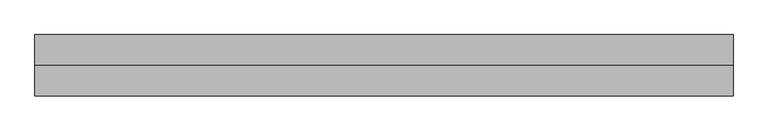
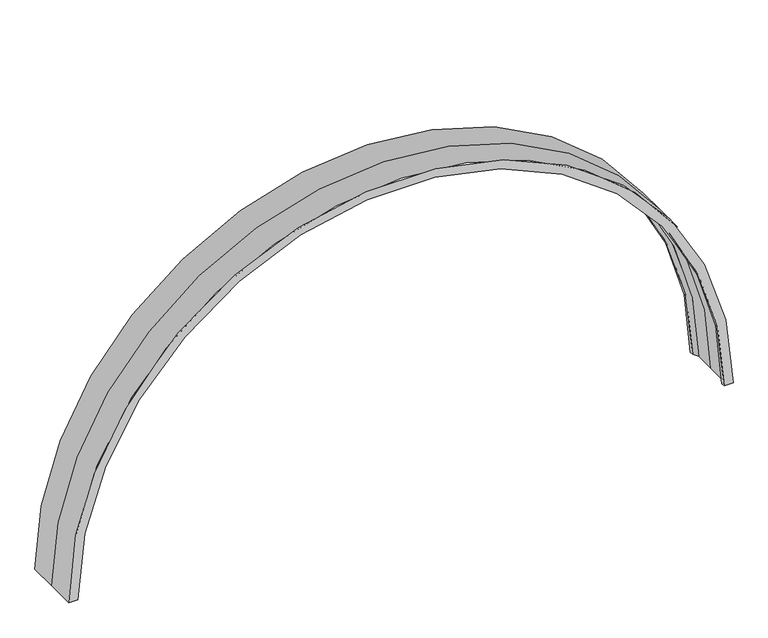
"""IFC4 building model written with IfcOpenShell, lengths in millimetres: beam geometry."""

from ifc_helpers import new_model, si_unit, frame, origin, place, context, project, spatial, polyline, circle_curve, source, transform, mapped, element, save
from ifc_brep_helpers import plane_surface, cylinder_surface, revolved_surface, advanced_brep


def beam_296ebda2(model_context):
    return source(origin(), model_context, "Body", "AdvancedBrep", [
        advanced_brep(
        [(-5545.0, -500.0, 0.0), (-5700.0, -500.0, 0.0), (-5700.0, 0.0, 0.0), (-5700.0, 499.9627944, 0.0), (-5545.0, 499.9627944, 0.0), (-5545.0, 437.4627944, 0.0), (-5600.0, 342.2, 0.0), (-5600.0, 0.0, 0.0), (-5600.0, -342.2372056, 0.0), (-5545.0, -437.5, 0.0), (5700.0, -500.0, 0.0), (5545.0, -500.0, 0.0), (5700.0, 0.0, 0.0), (5700.0, 499.9627944, 0.0), (5545.0, 499.9627944, 0.0), (5545.0, 437.4627944, 0.0), (5600.0, 342.2, 0.0), (5600.0, 0.0, 0.0), (5600.0, -342.2372056, 0.0), (5545.0, -437.5, 0.0)],
        [
            (0, 1),
            (1, 2),
            (2, 3),
            (3, 4),
            (4, 5),
            (5, 6),
            (6, 7),
            (7, 8),
            (8, 9),
            (9, 0),
            (10, 1, circle_curve(frame((0.0, -500.0, 0.0), z_axis=(0.0, -1.0, 0.0), x_axis=(-1.0, 0.0, 0.0)), 5700.0)),
            (0, 11, circle_curve(frame((0.0, -500.0, 0.0), z_axis=(0.0, 1.0, 0.0), x_axis=(-1.0, 0.0, 0.0)), 5545.0)),
            (11, 10),
            (12, 2, circle_curve(frame((0.0, 0.0, 0.0), z_axis=(0.0, -1.0, 0.0), x_axis=(-1.0, 0.0, 0.0)), 5700.0)),
            (10, 12),
            (13, 3, circle_curve(frame((0.0, 499.9627944, 0.0), z_axis=(0.0, -1.0, 0.0), x_axis=(-1.0, 0.0, 0.0)), 5700.0)),
            (12, 13),
            (14, 4, circle_curve(frame((0.0, 499.9627944, 0.0), z_axis=(0.0, -1.0, 0.0), x_axis=(-1.0, 0.0, 0.0)), 5545.0)),
            (13, 14),
            (15, 5, circle_curve(frame((0.0, 437.4627944, 0.0), z_axis=(0.0, -1.0, 0.0), x_axis=(-1.0, 0.0, 0.0)), 5545.0)),
            (14, 15),
            (16, 6, circle_curve(frame((0.0, 342.2, 0.0), z_axis=(0.0, -1.0, 0.0), x_axis=(-1.0, 0.0, 0.0)), 5600.0)),
            (15, 16),
            (17, 7, circle_curve(frame((0.0, 0.0, 0.0), z_axis=(0.0, -1.0, 0.0), x_axis=(-1.0, 0.0, 0.0)), 5600.0)),
            (16, 17),
            (18, 8, circle_curve(frame((0.0, -342.2372056, 0.0), z_axis=(0.0, -1.0, 0.0), x_axis=(-1.0, 0.0, 0.0)), 5600.0)),
            (17, 18),
            (19, 9, circle_curve(frame((0.0, -437.5, 0.0), z_axis=(0.0, -1.0, 0.0), x_axis=(-1.0, 0.0, 0.0)), 5545.0)),
            (18, 19),
            (19, 11),
        ],
        [
            plane_surface(frame((-5700.0, 0.0, 0.0), z_axis=(0.0, 0.0, -1.0), x_axis=(0.0, -1.0, 0.0))),
            plane_surface(frame((0.0, -500.0, 0.0), z_axis=(0.0, -1.0, 0.0), x_axis=(-1.0, 0.0, 0.0))),
            cylinder_surface(frame((0.0, 0.0, 0.0), z_axis=(0.0, 1.0, 0.0), x_axis=(-1.0, 0.0, 0.0)), 5700.0),
            plane_surface(frame((0.0, 499.9627944, 0.0), z_axis=(0.0, 1.0, 0.0), x_axis=(-1.0, 0.0, 0.0))),
            revolved_surface(polyline([(-5545.0, 499.9627944, 0.0), (-5545.0, 437.4627944, 0.0)]), (0.0, 0.0, 0.0), (0.0, 1.0, 0.0)),
            revolved_surface(polyline([(-5545.0, 437.4627944, 0.0), (-5600.0, 342.2, 0.0)]), (0.0, 0.0, 0.0), (0.0, 1.0, 0.0)),
            revolved_surface(polyline([(-5600.0, 342.2, 0.0), (-5600.0, 0.0, 0.0)]), (0.0, 0.0, 0.0), (0.0, 1.0, 0.0)),
            revolved_surface(polyline([(-5600.0, 0.0, 0.0), (-5600.0, -342.2372056, 0.0)]), (0.0, 0.0, 0.0), (0.0, 1.0, 0.0)),
            revolved_surface(polyline([(-5600.0, -342.2372056, 0.0), (-5545.0, -437.5, 0.0)]), (0.0, 0.0, 0.0), (0.0, 1.0, 0.0)),
            revolved_surface(polyline([(-5545.0, -437.5, 0.0), (-5545.0, -500.0, 0.0)]), (0.0, 0.0, 0.0), (0.0, 1.0, 0.0)),
            plane_surface(frame((5700.0, 0.0, 0.0), z_axis=(0.0, 0.0, -1.0), x_axis=(0.0, -1.0, 0.0))),
        ],
        [
            (0, [[1, 2, 3, 4, 5, 6, 7, 8, 9, 10]]),
            (1, [[11, -1, 12, 13]]),
            (2, [[14, -2, -11, 15]]),
            (2, [[16, -3, -14, 17]]),
            (3, [[18, -4, -16, 19]]),
            (4, [[20, -5, -18, 21]]),
            (5, [[22, -6, -20, 23]]),
            (6, [[24, -7, -22, 25]]),
            (7, [[26, -8, -24, 27]]),
            (8, [[28, -9, -26, 29]]),
            (9, [[-12, -10, -28, 30]]),
            (10, [[-13, -30, -29, -27, -25, -23, -21, -19, -17, -15]]),
        ],
    ),
    ])


if __name__ == "__main__":
    model = new_model("IFC4")
    model_context = context("Model", 3, world=origin())
    ifc_project = project(units=[si_unit("LENGTHUNIT", "METRE", prefix="MILLI")], contexts=[model_context])
    site = spatial("IfcSite", under=ifc_project)
    building = spatial("IfcBuilding", under=site)
    placement = place(None, origin())
    beam_shape = beam_296ebda2(model_context)
    element("IfcBeam", 1, at=placement, inside=building, context=model_context, shape_type="MappedRepresentation", body=[
        mapped(beam_shape, transform((0.0, 0.0, 0.0), x_axis=(1.0, 0.0, 0.0), y_axis=(0.0, 1.0, 0.0), z_axis=(0.0, 0.0, 1.0))),
    ])
    save(model, "model.ifc")
